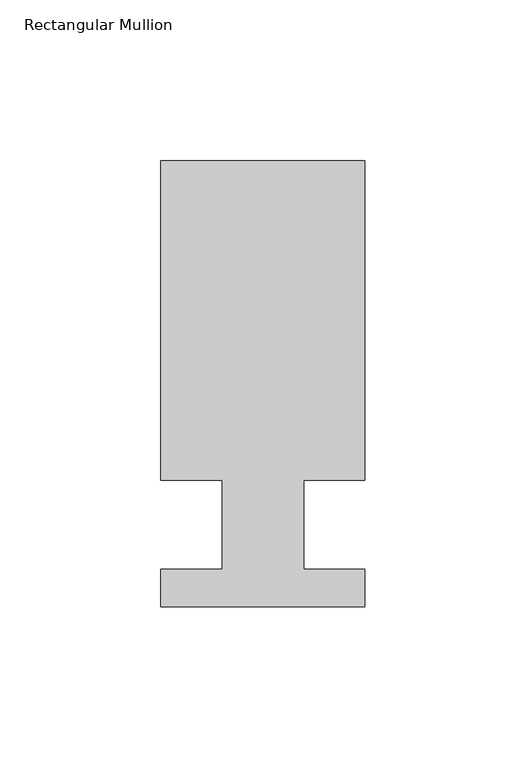
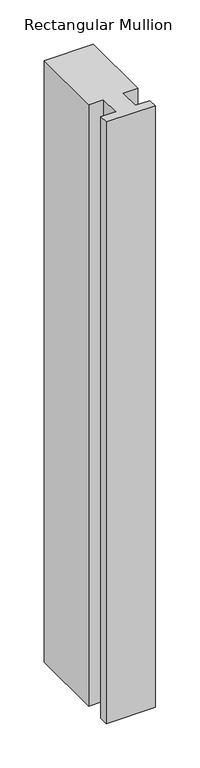
"""IFC4 building model written with IfcOpenShell, lengths in millimetres: member geometry, Rectangular Mullion."""

from ifc_helpers import new_model, si_unit, frame, origin, place, context, project, spatial, polyline, outline, extrude, source, transform, mapped, element, save


def rectangular_mullion_28f742fa(model_context):
    return source(origin(), model_context, "Body", "SweptSolid", [
        extrude(outline(polyline([(31.75, 39.3898438), (12.7, 39.3898438), (12.7, 11.7038437), (31.75, 11.7038437), (31.75, 0.0219696), (-31.75, 0.0219696), (-31.75, 11.7038437), (-12.7, 11.7038437), (-12.7, 39.3898438), (-31.75, 39.3898438), (-31.75, 138.7038437), (31.75, 138.7038437), (31.75, 39.3898438)])), frame((0.0, 0.0, -825.4909101), z_axis=(0.0, 0.0, 1.0), x_axis=(1.0, 0.0, 0.0)), (0.0, 0.0, 1.0), 825.4909101),
    ])


if __name__ == "__main__":
    model = new_model("IFC4")
    model_context = context("Model", 3, world=origin())
    ifc_project = project(units=[si_unit("LENGTHUNIT", "METRE", prefix="MILLI")], contexts=[model_context])
    site = spatial("IfcSite", under=ifc_project)
    building = spatial("IfcBuilding", under=site)
    placement = place(None, origin())
    rectangular_mullion_shape = rectangular_mullion_28f742fa(model_context)
    element("IfcMember", 1, ObjectType="Rectangular Mullion", at=placement, inside=building, context=model_context, shape_type="MappedRepresentation", body=[
        mapped(rectangular_mullion_shape, transform((0.0, 0.0, 0.0), x_axis=(1.0, 0.0, 0.0), y_axis=(0.0, 1.0, 0.0), z_axis=(0.0, 0.0, 1.0))),
    ])
    save(model, "model.ifc")
